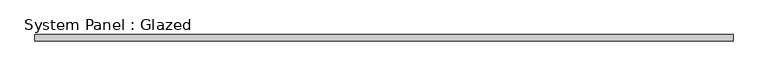
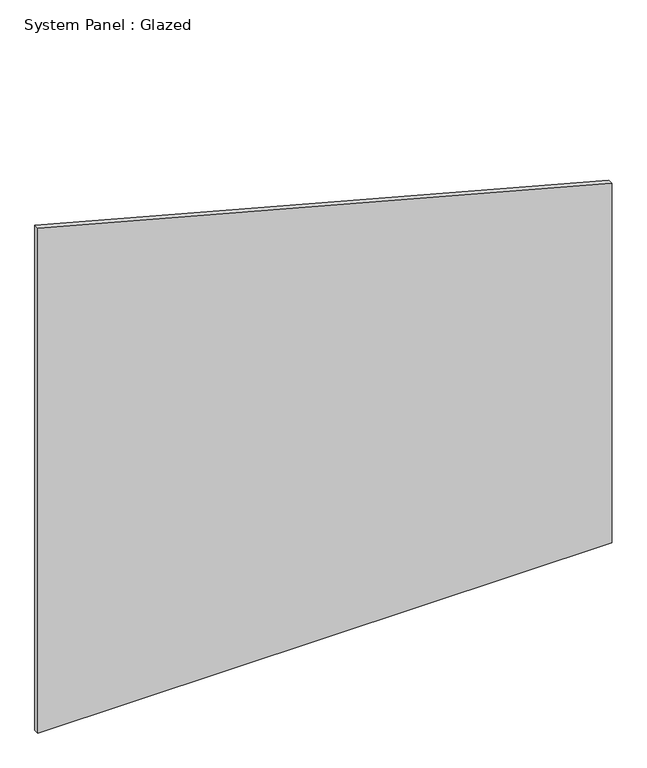
"""IFC4 building model written with IfcOpenShell, lengths in millimetres: plate geometry, System Panel : Glazed."""

from ifc_helpers import new_model, si_unit, frame, origin, place, context, project, spatial, polyline, outline, extrude, source, transform, mapped, element, save


def system_panel_glazed_6ca6de81(model_context):
    return source(origin(), model_context, "Body", "SweptSolid", [
        extrude(outline(polyline([(0.0, -1400.0), (0.0, 1400.0), (1852.5238927, 1400.0), (2602.7816315, -1400.0), (0.0, -1400.0)])), frame((0.0, -22.5, 0.0), z_axis=(0.0, 1.0, 0.0), x_axis=(0.0, 0.0, 1.0)), (0.0, 0.0, 1.0), 25.0),
    ])


if __name__ == "__main__":
    model = new_model("IFC4")
    model_context = context("Model", 3, world=origin())
    ifc_project = project(units=[si_unit("LENGTHUNIT", "METRE", prefix="MILLI")], contexts=[model_context])
    site = spatial("IfcSite", under=ifc_project)
    building = spatial("IfcBuilding", under=site)
    placement = place(None, origin())
    system_panel_glazed_shape = system_panel_glazed_6ca6de81(model_context)
    element("IfcPlate", 1, ObjectType="System Panel : Glazed", at=placement, inside=building, context=model_context, shape_type="MappedRepresentation", body=[
        mapped(system_panel_glazed_shape, transform((0.0, 0.0, 0.0), x_axis=(1.0, 0.0, 0.0), y_axis=(0.0, 1.0, 0.0), z_axis=(0.0, 0.0, 1.0))),
    ])
    save(model, "model.ifc")
